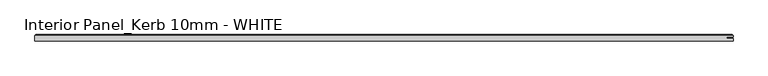
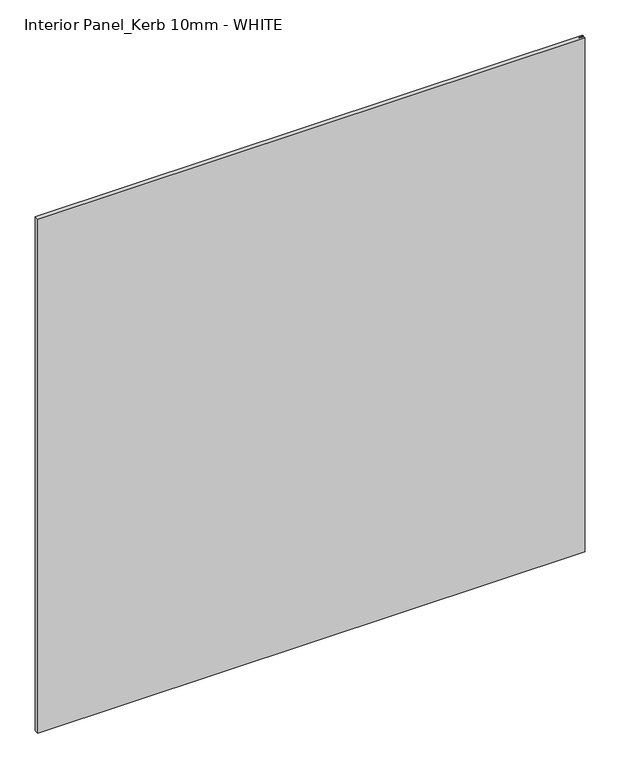
"""IFC4 building model written with IfcOpenShell, lengths in millimetres: proxy geometry, Interior Panel_Kerb 10mm - WHITE."""

from ifc_helpers import new_model, si_unit, origin, place, context, project, spatial, faceted_brep, source, transform, mapped, element, save


def interior_panel_kerb_10mm_white_cceded54(model_context):
    return source(origin(), model_context, "Body", "Brep", [
        faceted_brep([(998.5375, -3.175, 1063.625), (998.5375, 0.5207, 1063.625), (988.7148437, 0.5207, 1063.625), (988.7148437, 2.6543, 1063.625), (998.5375, 2.6543, 1063.625), (998.5375, 4.7625, 1063.625), (-73.025, 4.7625, 1063.625), (-73.025, -3.175, 1063.625), (998.5375, -3.175, 0.0), (-73.025, -3.175, 0.0), (-73.025, 4.7625, 0.0), (998.5375, 4.7625, 0.0), (998.5375, 2.6543, 0.0), (988.7148437, 2.6543, 0.0), (988.7148437, 0.5207, 0.0), (998.5375, 0.5207, 0.0), (-71.4375, 6.35, 1062.0375), (996.95, 6.35, 1062.0375), (996.95, 6.35, 1.5875), (-71.4375, 6.35, 1.5875)], [[[0, 1, 2, 3, 4, 5, 6, 7]], [[8, 9, 10, 11, 12, 13, 14, 15]], [[7, 9, 8, 0]], [[6, 10, 9, 7]], [[16, 17, 18, 19]], [[4, 12, 11, 5]], [[6, 16, 19, 10]], [[11, 18, 17, 5]], [[5, 17, 16, 6]], [[10, 19, 18, 11]], [[3, 13, 12, 4]], [[2, 14, 13, 3]], [[1, 15, 14, 2]], [[0, 8, 15, 1]]]),
    ])


if __name__ == "__main__":
    model = new_model("IFC4")
    model_context = context("Model", 3, world=origin())
    ifc_project = project(units=[si_unit("LENGTHUNIT", "METRE", prefix="MILLI")], contexts=[model_context])
    site = spatial("IfcSite", under=ifc_project)
    building = spatial("IfcBuilding", under=site)
    placement = place(None, origin())
    interior_panel_kerb_10mm_white_shape = interior_panel_kerb_10mm_white_cceded54(model_context)
    element("IfcBuildingElementProxy", 1, Name="Interior Panel_Kerb 10mm - WHITE", ObjectType="Interior Panel_Kerb 10mm - WHITE", at=placement, inside=building, context=model_context, shape_type="MappedRepresentation", body=[
        mapped(interior_panel_kerb_10mm_white_shape, transform((0.0, 0.0, 0.0), x_axis=(1.0, 0.0, 0.0), y_axis=(0.0, 1.0, 0.0), z_axis=(0.0, 0.0, 1.0))),
    ])
    save(model, "model.ifc")
